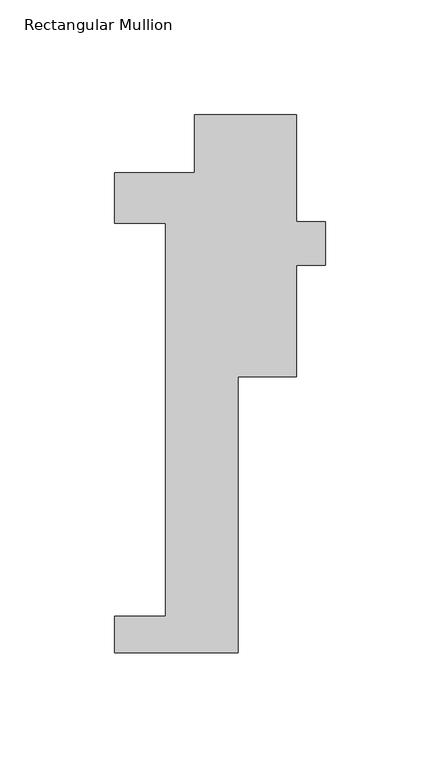
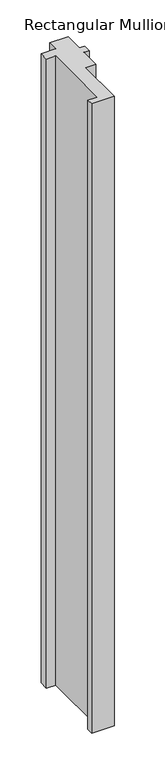
"""IFC4 building model written with IfcOpenShell, lengths in millimetres: member geometry, Rectangular Mullion."""

from ifc_helpers import new_model, si_unit, frame, origin, place, context, project, spatial, polyline, outline, extrude, source, transform, mapped, element, save


def rectangular_mullion_59fbf494(model_context):
    return source(origin(), model_context, "Body", "SweptSolid", [
        extrude(outline(polyline([(15.875, -221.996), (-38.1, -221.996), (-38.1, -206.121), (-15.875, -206.121), (-15.875, -34.671), (-38.1, -34.671), (-38.1, -12.7), (-3.175, -12.7), (-3.175, 12.7), (41.275, 12.7), (41.275, -34.0209981), (53.9837706, -34.0209981), (53.9837706, -53.0709981), (41.275, -53.0709981), (41.275, -101.6), (15.875, -101.6), (15.875, -221.996)])), frame((0.0, 0.0, -1590.675), z_axis=(0.0, 0.0, 1.0), x_axis=(1.0, 0.0, 0.0)), (0.0, 0.0, 1.0), 1590.675),
    ])


if __name__ == "__main__":
    model = new_model("IFC4")
    model_context = context("Model", 3, world=origin())
    ifc_project = project(units=[si_unit("LENGTHUNIT", "METRE", prefix="MILLI")], contexts=[model_context])
    site = spatial("IfcSite", under=ifc_project)
    building = spatial("IfcBuilding", under=site)
    placement = place(None, origin())
    rectangular_mullion_shape = rectangular_mullion_59fbf494(model_context)
    element("IfcMember", 1, ObjectType="Rectangular Mullion", at=placement, inside=building, context=model_context, shape_type="MappedRepresentation", body=[
        mapped(rectangular_mullion_shape, transform((0.0, 0.0, 0.0), x_axis=(1.0, 0.0, 0.0), y_axis=(0.0, 1.0, 0.0), z_axis=(0.0, 0.0, 1.0))),
    ])
    save(model, "model.ifc")
